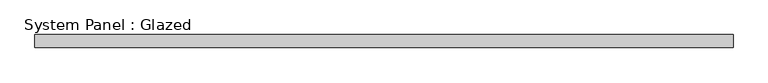
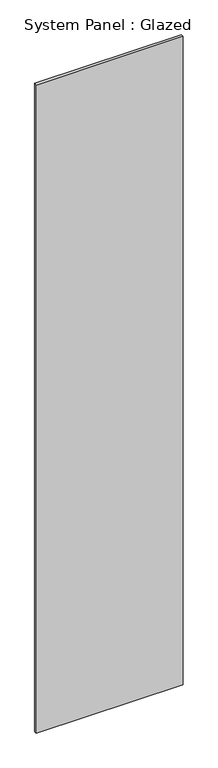
"""IFC4 building model written with IfcOpenShell, lengths in millimetres: plate geometry, System Panel : Glazed."""

from ifc_helpers import new_model, si_unit, origin, origin_with_axes, place, context, project, spatial, polyline, outline, extrude, source, transform, mapped, element, save


def system_panel_glazed_d020e4bd(model_context):
    return source(origin(), model_context, "Body", "SweptSolid", [
        extrude(outline(polyline([(678.1201621, 19.05), (-678.1201621, 19.05), (-678.1201621, 44.45), (678.1201621, 44.45), (678.1201621, 19.05)])), origin_with_axes(), (0.0, 0.0, 1.0), 6336.5),
    ])


if __name__ == "__main__":
    model = new_model("IFC4")
    model_context = context("Model", 3, world=origin())
    ifc_project = project(units=[si_unit("LENGTHUNIT", "METRE", prefix="MILLI")], contexts=[model_context])
    site = spatial("IfcSite", under=ifc_project)
    building = spatial("IfcBuilding", under=site)
    placement = place(None, origin())
    system_panel_glazed_shape = system_panel_glazed_d020e4bd(model_context)
    element("IfcPlate", 1, ObjectType="System Panel : Glazed", at=placement, inside=building, context=model_context, shape_type="MappedRepresentation", body=[
        mapped(system_panel_glazed_shape, transform((0.0, 0.0, 0.0), x_axis=(1.0, 0.0, 0.0), y_axis=(0.0, 1.0, 0.0), z_axis=(0.0, 0.0, 1.0))),
    ])
    save(model, "model.ifc")
